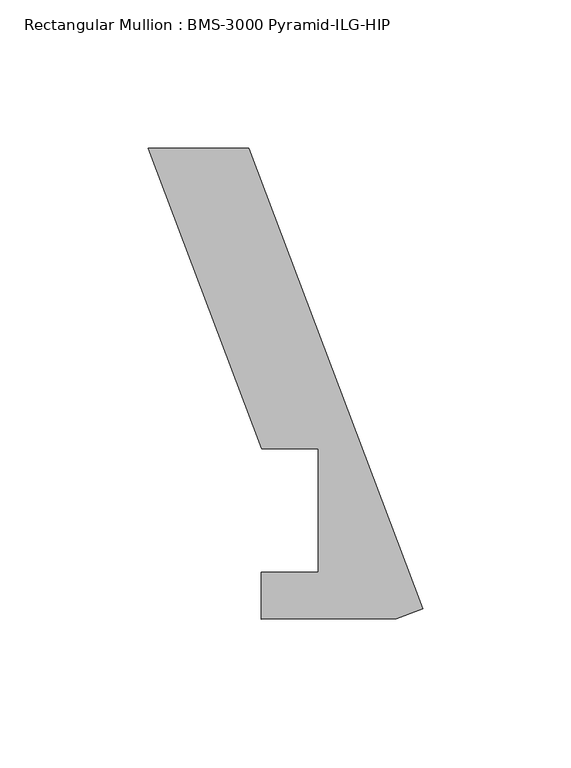
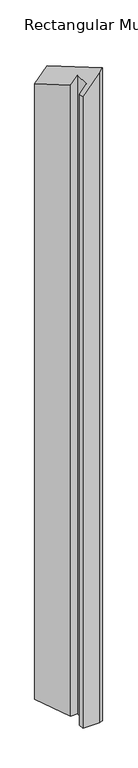
"""IFC4 building model written with IfcOpenShell, lengths in millimetres: member geometry, Rectangular Mullion : BMS-3000 Pyramid-ILG-HIP."""

from ifc_helpers import new_model, si_unit, origin, place, context, project, spatial, faceted_brep, source, transform, mapped, element, save


def rectangular_mullion_bms_3000_pyramid_ilg_hip_27a9e2a4(model_context):
    return source(origin(), model_context, "Body", "Brep", [
        faceted_brep([(-92.7277404, 155.5739504, -107.0727718), (-58.7866398, 155.5739504, -67.8809646), (-58.7866398, 155.5739504, -1862.3587624), (-92.7277404, 155.5739504, -1862.3587624), (-54.3366963, 53.975, -62.7426124), (-54.3366963, 53.975, -1862.3587624), (-35.2866963, 53.975, -40.7455672), (-35.2866963, 53.975, -1862.3587624), (-35.2866963, 12.3790627, -40.7455672), (-35.2866963, 12.3790627, -1862.3587624), (-54.4267253, 12.2855261, -62.846569), (-54.4267253, 12.2855261, -1862.3587624), (-54.4267253, -3.5150841, -62.846569), (-54.4267253, -3.5150841, -1862.3587624), (-8.9101044, -3.3672255, -10.2885023), (-8.9101044, -3.3672255, -1862.3587624), (0.0, -0.0003776, 0.0), (0.0, -0.0003776, -1862.3587624)], [[[0, 1, 2, 3]], [[4, 0, 3, 5]], [[6, 4, 5, 7]], [[8, 6, 7, 9]], [[10, 8, 9, 11]], [[12, 10, 11, 13]], [[14, 12, 13, 15]], [[16, 14, 15, 17]], [[1, 16, 17, 2]], [[1, 0, 4, 6, 8, 10, 12, 14, 16]], [[2, 17, 15, 13, 11, 9, 7, 5, 3]]]),
    ])


if __name__ == "__main__":
    model = new_model("IFC4")
    model_context = context("Model", 3, world=origin())
    ifc_project = project(units=[si_unit("LENGTHUNIT", "METRE", prefix="MILLI")], contexts=[model_context])
    site = spatial("IfcSite", under=ifc_project)
    building = spatial("IfcBuilding", under=site)
    placement = place(None, origin())
    rectangular_mullion_bms_3000_pyramid_ilg_hip_shape = rectangular_mullion_bms_3000_pyramid_ilg_hip_27a9e2a4(model_context)
    element("IfcMember", 1, ObjectType="Rectangular Mullion : BMS-3000 Pyramid-ILG-HIP", at=placement, inside=building, context=model_context, shape_type="MappedRepresentation", body=[
        mapped(rectangular_mullion_bms_3000_pyramid_ilg_hip_shape, transform((0.0, 0.0, 0.0), x_axis=(1.0, 0.0, 0.0), y_axis=(0.0, 1.0, 0.0), z_axis=(0.0, 0.0, 1.0))),
    ])
    save(model, "model.ifc")
